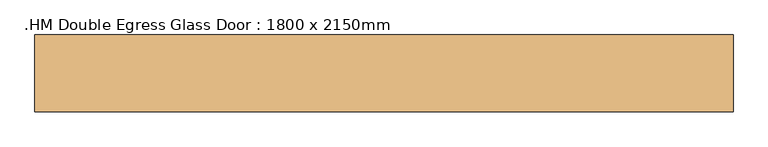
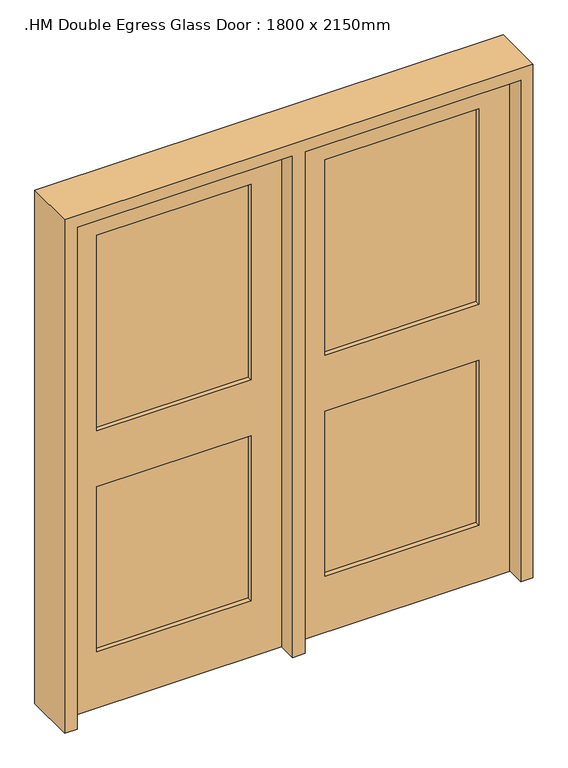
"""IFC4 building model written with IfcOpenShell, lengths in millimetres: door geometry, .HM Double Egress Glass Door : 1800 x 2150mm."""

import ifcopenshell
import ifcopenshell.guid

model = None  # the IFC model being written
_history = None  # IfcOwnerHistory: only IFC2X3 demands one
_inside = {}  # id of a spatial element -> (the spatial element, [elements in it])
_under = {}  # id of a project, library or spatial element -> (it, [spatial elements below it])
_declared = {}  # id of a project -> (the project, [libraries it declares])
_typed = {}  # id of a type object -> (the type object, [elements of that type])
_made_of = {}  # id of a material, layer set ... -> (it, [elements and type objects made of it])


def new_model(schema):
    """Start an empty IFC model of exactly this schema.

    Asked for "IFC4X3", IfcOpenShell would pick the latest addendum, in which some entities
    have other attributes; the version numbers below select the first issue.
    IFC2X3 requires an IfcOwnerHistory on every rooted entity: one is made here for all.
    """
    global model, _history
    if schema == "IFC4X3":
        model = ifcopenshell.file(schema_version=(4, 3, 0, 0))
    else:
        model = ifcopenshell.file(schema=schema)
    _inside.clear()
    _under.clear()
    _declared.clear()
    _typed.clear()
    _made_of.clear()
    _history = None
    if model.schema == "IFC2X3":
        org = make("IfcOrganization", Name="unknown")
        user = make(
            "IfcPersonAndOrganization",
            ThePerson=make("IfcPerson", FamilyName="unknown"),
            TheOrganization=org,
        )
        app = make(
            "IfcApplication",
            ApplicationDeveloper=org,
            Version="unknown",
            ApplicationFullName="unknown",
            ApplicationIdentifier="unknown",
        )
        _history = make(
            "IfcOwnerHistory",
            OwningUser=user,
            OwningApplication=app,
            ChangeAction="ADDED",
            CreationDate=0,
        )
    return model


def make(cls, **values):
    """One entity of the class cls with the attributes given. An attribute that is None is left unset."""
    return model.create_entity(
        cls, **{name: value for name, value in values.items() if value is not None}
    )


def rooted(cls, **values):
    """An entity with a GlobalId (a new one), such as an element, a storey or a relation."""
    return make(cls, GlobalId=ifcopenshell.guid.new(), OwnerHistory=_history, **values)


def si_unit(unit_type, name, prefix=None):
    """IfcSIUnit, for example si_unit("LENGTHUNIT", "METRE", prefix="MILLI")."""
    return make("IfcSIUnit", UnitType=unit_type, Prefix=prefix, Name=name)


def assignment(units):
    """IfcUnitAssignment: the units of a project."""
    return None if units is None else make("IfcUnitAssignment", Units=units)


def point(xyz):
    """IfcCartesianPoint."""
    return None if xyz is None else make("IfcCartesianPoint", Coordinates=xyz)


def direction(xyz):
    """IfcDirection."""
    return None if xyz is None else make("IfcDirection", DirectionRatios=xyz)


def frame(location, z_axis=None, x_axis=None):
    """IfcAxis2Placement3D, a coordinate frame: its origin and axes. An axis left out is left unset."""
    return make(
        "IfcAxis2Placement3D",
        Location=point(location),
        Axis=direction(z_axis),
        RefDirection=direction(x_axis),
    )


def origin():
    """The frame at (0, 0, 0) with its axes left unset."""
    return frame((0.0, 0.0, 0.0))


def place(relative_to, where):
    """IfcLocalPlacement: puts the frame where relative to a parent placement (None: the world)."""
    return make(
        "IfcLocalPlacement", PlacementRelTo=relative_to, RelativePlacement=where
    )


def context(
    kind, dimensions, precision=None, world=None, true_north=None, identifier=None
):
    """IfcGeometricRepresentationContext, for example the 3D "Model" context."""
    return make(
        "IfcGeometricRepresentationContext",
        ContextIdentifier=identifier,
        ContextType=kind,
        CoordinateSpaceDimension=dimensions,
        Precision=precision,
        WorldCoordinateSystem=world,
        TrueNorth=true_north,
    )


def project(units=None, contexts=None):
    """IfcProject with its units and contexts."""
    return rooted(
        "IfcProject",
        Name="project",
        RepresentationContexts=contexts,
        UnitsInContext=assignment(units),
    )


def spatial(cls, under=None, at=None, **own):
    """A site, building, storey or space (cls), placed at a placement, below another one or the project."""
    s = rooted(cls, ObjectPlacement=at, **own)
    if under is not None:
        _under.setdefault(under.id(), (under, []))[1].append(s)
    return s


def polyline(points):
    """IfcPolyline through the points."""
    return make("IfcPolyline", Points=[point(p) for p in points])


def outline(outer, holes=None, kind="AREA"):
    """IfcArbitraryClosedProfileDef: a profile drawn as a closed curve; with holes, ...WithVoids."""
    if holes is None:
        return make("IfcArbitraryClosedProfileDef", ProfileType=kind, OuterCurve=outer)
    return make(
        "IfcArbitraryProfileDefWithVoids",
        ProfileType=kind,
        OuterCurve=outer,
        InnerCurves=holes,
    )


def extrude(swept, where, along, depth):
    """IfcExtrudedAreaSolid: the profile swept, set in the frame where, extruded along a direction by depth."""
    return make(
        "IfcExtrudedAreaSolid",
        SweptArea=swept,
        Position=where,
        ExtrudedDirection=direction(along),
        Depth=depth,
    )


def shape(context_of_items, identifier, shape_type, items):
    """IfcShapeRepresentation: the items that make up one representation, for example the "Body"."""
    return make(
        "IfcShapeRepresentation",
        ContextOfItems=context_of_items,
        RepresentationIdentifier=identifier,
        RepresentationType=shape_type,
        Items=items,
    )


def source(mapping_origin, context_of_items, identifier, shape_type, items):
    """IfcRepresentationMap: a shape defined once, which mapped items show again and again."""
    return make(
        "IfcRepresentationMap",
        MappingOrigin=mapping_origin,
        MappedRepresentation=shape(context_of_items, identifier, shape_type, items),
    )


def transform(
    local_origin,
    x_axis=None,
    y_axis=None,
    z_axis=None,
    scale=None,
    scale2=None,
    scale3=None,
    uniform=True,
):
    """IfcCartesianTransformationOperator3D, or its non-uniform kind. x_axis, y_axis, z_axis: its Axis1, 2, 3."""
    if uniform:
        return make(
            "IfcCartesianTransformationOperator3D",
            Axis1=direction(x_axis),
            Axis2=direction(y_axis),
            LocalOrigin=point(local_origin),
            Scale=scale,
            Axis3=direction(z_axis),
        )
    return make(
        "IfcCartesianTransformationOperator3DnonUniform",
        Axis1=direction(x_axis),
        Axis2=direction(y_axis),
        LocalOrigin=point(local_origin),
        Scale=scale,
        Axis3=direction(z_axis),
        Scale2=scale2,
        Scale3=scale3,
    )


def mapped(mapping_source, mapping_target):
    """IfcMappedItem: shows the shape of a source again, moved by a transform."""
    return make(
        "IfcMappedItem", MappingSource=mapping_source, MappingTarget=mapping_target
    )


def made_of(thing, what):
    """Note that an element or type object is made of a material, layer set ...; save() writes the relation."""
    if what is not None:
        _made_of.setdefault(what.id(), (what, []))[1].append(thing)
    return thing


def element(
    cls,
    number,
    at=None,
    inside=None,
    cuts=None,
    type_object=None,
    material=None,
    context=None,
    identifier="Body",
    shape_type=None,
    held_by="IfcProductDefinitionShape",
    body=None,
    shapes=None,
    **own,
):
    """One element of the class cls, such as IfcWall. Its Tag is "e" and its number.

    at: its placement. inside: the storey or other place that contains it. cuts: it is an
    opening in that element (IfcRelVoidsElement). A single representation is given by context,
    identifier, shape_type and body (its items); several are given by shapes. held_by: the class
    of the entity that holds the representations. save() writes the other relations.
    """
    e = rooted(cls, Tag="e%d" % number, ObjectPlacement=at, **own)
    if body is not None:
        shapes = [shape(context, identifier, shape_type, body)]
    if shapes is not None:
        e.Representation = make(held_by, Representations=shapes)
    if inside is not None:
        _inside.setdefault(inside.id(), (inside, []))[1].append(e)
    if cuts is not None:
        rooted(
            "IfcRelVoidsElement", RelatingBuildingElement=cuts, RelatedOpeningElement=e
        )
    if type_object is not None:
        _typed.setdefault(type_object.id(), (type_object, []))[1].append(e)
    return made_of(e, material)


def aggregate(whole, parts):
    """IfcRelAggregates: a whole, such as a stair, and the parts it consists of."""
    return rooted("IfcRelAggregates", RelatingObject=whole, RelatedObjects=parts)


def save(model, path):
    """Write the relations noted so far, then the file.

    IfcRelAggregates (storeys below a building ...), IfcRelContainedInSpatialStructure (elements
    in a storey), IfcRelDefinesByType, IfcRelAssociatesMaterial and IfcRelDeclares: one each for
    every whole, place, type object, material and project.
    """
    for whole, parts in _under.values():
        aggregate(whole, parts)
    for where, things in _inside.values():
        rooted(
            "IfcRelContainedInSpatialStructure",
            RelatedElements=things,
            RelatingStructure=where,
        )
    for kind, things in _typed.values():
        rooted("IfcRelDefinesByType", RelatedObjects=things, RelatingType=kind)
    for what, things in _made_of.values():
        rooted("IfcRelAssociatesMaterial", RelatedObjects=things, RelatingMaterial=what)
    for by, libraries in _declared.values():
        rooted("IfcRelDeclares", RelatingContext=by, RelatedDefinitions=libraries)
    model.write(path)


def hm_double_egress_glass_door_1800_x_2150mm_3cee10ba(model_context):
    return source(origin(), model_context, "Body", "SweptSolid", [
        extrude(outline(polyline([(2150.0, 900.0), (0.0, 900.0), (0.0, 950.0), (2200.0, 950.0), (2200.0, -950.0), (0.0, -950.0), (0.0, -900.0), (2150.0, -900.0), (2150.0, -25.0), (0.0, -25.0), (0.0, 25.0), (2150.0, 25.0), (2150.0, 900.0)])), frame((0.0, -102.11875, 0.0), z_axis=(0.0, 1.0, 0.0), x_axis=(0.0, 0.0, 1.0)), (0.0, 0.0, 1.0), 209.0),
        extrude(outline(polyline([(-150.0, -5.0), (-775.0, -5.0), (-775.0, 5.0), (-150.0, 5.0), (-150.0, -5.0)])), frame((0.0, 0.0, 1186.8), z_axis=(0.0, 0.0, 1.0), x_axis=(1.0, 0.0, 0.0)), (0.0, 0.0, 1.0), 838.2),
        extrude(outline(polyline([(775.0, -5.0), (150.0, -5.0), (150.0, 5.0), (775.0, 5.0), (775.0, -5.0)])), frame((0.0, 0.0, 1186.8), z_axis=(0.0, 0.0, 1.0), x_axis=(1.0, 0.0, 0.0)), (0.0, 0.0, 1.0), 838.2),
        extrude(outline(polyline([(775.0, -5.0), (150.0, -5.0), (150.0, 5.0), (775.0, 5.0), (775.0, -5.0)])), frame((0.0, 0.0, 240.0), z_axis=(0.0, 0.0, 1.0), x_axis=(1.0, 0.0, 0.0)), (0.0, 0.0, 1.0), 706.8),
        extrude(outline(polyline([(-150.0, -5.0), (-775.0, -5.0), (-775.0, 5.0), (-150.0, 5.0), (-150.0, -5.0)])), frame((0.0, 0.0, 240.0), z_axis=(0.0, 0.0, 1.0), x_axis=(1.0, 0.0, 0.0)), (0.0, 0.0, 1.0), 706.8),
        extrude(outline(polyline([(2150.0, 900.0), (2150.0, 25.0), (0.0, 25.0), (0.0, 900.0), (2150.0, 900.0)]), holes=[polyline([(2025.0, 150.0), (2025.0, 775.0), (1186.8, 775.0), (1186.8, 150.0), (2025.0, 150.0)]), polyline([(946.8, 150.0), (946.8, 775.0), (240.0, 775.0), (240.0, 150.0), (946.8, 150.0)])]), frame((0.0, -25.0, 0.0), z_axis=(0.0, 1.0, 0.0), x_axis=(0.0, 0.0, 1.0)), (0.0, 0.0, 1.0), 50.0),
        extrude(outline(polyline([(0.0, -900.0), (0.0, -25.0), (2150.0, -25.0), (2150.0, -900.0), (0.0, -900.0)]), holes=[polyline([(2025.0, -775.0), (2025.0, -150.0), (1186.8, -150.0), (1186.8, -775.0), (2025.0, -775.0)]), polyline([(946.8, -775.0), (946.8, -150.0), (240.0, -150.0), (240.0, -775.0), (946.8, -775.0)])]), frame((0.0, -25.0, 0.0), z_axis=(0.0, 1.0, 0.0), x_axis=(0.0, 0.0, 1.0)), (0.0, 0.0, 1.0), 50.0),
    ])


if __name__ == "__main__":
    model = new_model("IFC4")
    model_context = context("Model", 3, world=origin())
    ifc_project = project(units=[si_unit("LENGTHUNIT", "METRE", prefix="MILLI")], contexts=[model_context])
    site = spatial("IfcSite", under=ifc_project)
    building = spatial("IfcBuilding", under=site)
    placement = place(None, origin())
    hm_double_egress_glass_door_1800_x_2150mm_shape = hm_double_egress_glass_door_1800_x_2150mm_3cee10ba(model_context)
    element("IfcDoor", 1, ObjectType=".HM Double Egress Glass Door : 1800 x 2150mm", at=placement, inside=building, context=model_context, shape_type="MappedRepresentation", body=[
        mapped(hm_double_egress_glass_door_1800_x_2150mm_shape, transform((0.0, 0.0, 0.0), x_axis=(1.0, 0.0, 0.0), y_axis=(0.0, 1.0, 0.0), z_axis=(0.0, 0.0, 1.0))),
    ])
    save(model, "model.ifc")
